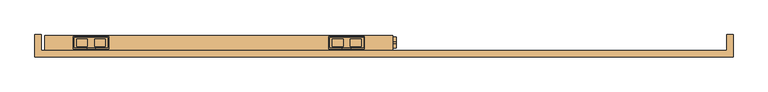
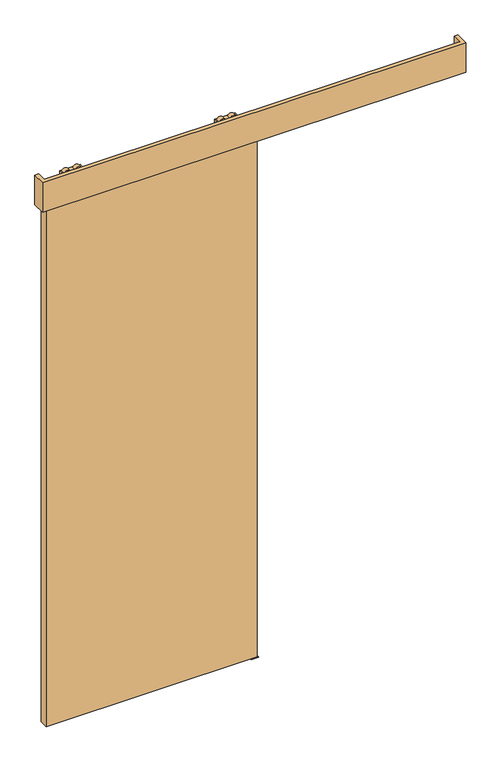
"""IFC4 building model written with IfcOpenShell, lengths in millimetres: door geometry."""

from ifc_helpers import new_model, si_unit, point, frame, frame_2d, origin, place, context, project, spatial, polyline, circle_curve, trimmed, segment, composite_curve, outline, extrude, source, transform, mapped, element, save
from ifc_brep_helpers import plane_surface, cylinder_surface, advanced_brep


def door_d313ffde(model_context):
    return source(origin(), model_context, "Body", "SolidModel", [
        advanced_brep(
        [(-820.0, 14.2574263, 2687.3), (-820.0, -14.7425737, 2687.3), (-725.0, -14.7425737, 2687.3), (-725.0, 14.2574263, 2687.3), (-762.072332, -10.9457536, 2687.3), (-762.072332, 10.4606061, 2687.3), (-731.78306, 10.4606061, 2687.3), (-731.78306, -10.9457536, 2687.3), (-813.21694, -10.9457536, 2687.3), (-813.21694, 10.4606061, 2687.3), (-782.927668, 10.4606061, 2687.3), (-782.927668, -10.9457536, 2687.3), (-820.0, 14.2574263, 2672.3), (-725.0, 14.2574263, 2672.3), (-725.0, -14.7425737, 2672.3), (-820.0, -14.7425737, 2672.3), (-731.78306, -10.9457536, 2672.3), (-731.78306, 10.4606061, 2672.3), (-762.072332, 10.4606061, 2672.3), (-762.072332, -10.9457536, 2672.3), (-782.927668, -10.9457536, 2672.3), (-782.927668, 10.4606061, 2672.3), (-813.21694, 10.4606061, 2672.3), (-813.21694, -10.9457536, 2672.3), (-767.55, -0.5, 2672.3), (-777.45, -0.5, 2672.3), (-767.55, -0.5, 2653.8), (-777.45, -0.5, 2653.8)],
        [
            (0, 1),
            (1, 2),
            (2, 3),
            (3, 0),
            (4, 5),
            (5, 6),
            (6, 7),
            (7, 4),
            (8, 9),
            (9, 10),
            (10, 11),
            (11, 8),
            (12, 13),
            (13, 14),
            (14, 15),
            (15, 12),
            (16, 17),
            (17, 18),
            (18, 19),
            (19, 16),
            (20, 21),
            (21, 22),
            (22, 23),
            (23, 20),
            (24, 25, circle_curve(frame((-772.5, -0.5, 2672.3), z_axis=(0.0, 0.0, 1.0), x_axis=(-1.0, 0.0, 0.0)), 4.95)),
            (25, 24, circle_curve(frame((-772.5, -0.5, 2672.3), z_axis=(0.0, 0.0, 1.0), x_axis=(-1.0, 0.0, 0.0)), 4.95)),
            (3, 13),
            (12, 0),
            (2, 14),
            (1, 15),
            (7, 4, circle_curve(frame((-746.927696, -10.9457536, 2679.8), z_axis=(0.0, -1.0, 0.0), x_axis=(-1.0, 0.0, 0.0)), 16.9)),
            (19, 16, circle_curve(frame((-746.927696, -10.9457536, 2679.8), z_axis=(0.0, -1.0, 0.0), x_axis=(-1.0, 0.0, 0.0)), 16.9)),
            (5, 6, circle_curve(frame((-746.927696, 10.4606061, 2679.8), z_axis=(0.0, 1.0, 0.0), x_axis=(-1.0, 0.0, 0.0)), 16.9)),
            (17, 18, circle_curve(frame((-746.927696, 10.4606061, 2679.8), z_axis=(0.0, 1.0, 0.0), x_axis=(-1.0, 0.0, 0.0)), 16.9)),
            (11, 8, circle_curve(frame((-798.072304, -10.9457536, 2679.8), z_axis=(0.0, -1.0, 0.0), x_axis=(1.0, 0.0, 0.0)), 16.9)),
            (23, 20, circle_curve(frame((-798.072304, -10.9457536, 2679.8), z_axis=(0.0, -1.0, 0.0), x_axis=(1.0, 0.0, 0.0)), 16.9)),
            (9, 10, circle_curve(frame((-798.072304, 10.4606061, 2679.8), z_axis=(0.0, 1.0, 0.0), x_axis=(1.0, 0.0, 0.0)), 16.9)),
            (21, 22, circle_curve(frame((-798.072304, 10.4606061, 2679.8), z_axis=(0.0, 1.0, 0.0), x_axis=(1.0, 0.0, 0.0)), 16.9)),
            (26, 27, circle_curve(frame((-772.5, -0.5, 2653.8), z_axis=(0.0, 0.0, -1.0), x_axis=(-1.0, 0.0, 0.0)), 4.95)),
            (27, 26, circle_curve(frame((-772.5, -0.5, 2653.8), z_axis=(0.0, 0.0, -1.0), x_axis=(-1.0, 0.0, 0.0)), 4.95)),
            (26, 24),
            (25, 27),
        ],
        [
            plane_surface(frame((-725.0, 14.2574263, 2687.3), z_axis=(0.0, 0.0, 1.0), x_axis=(1.0, 0.0, 0.0))),
            plane_surface(frame((-725.0, 14.2574263, 2672.3), z_axis=(0.0, 0.0, -1.0), x_axis=(-1.0, 0.0, 0.0))),
            plane_surface(frame((-820.0, 14.2574263, 2687.3), z_axis=(0.0, 1.0, 0.0), x_axis=(0.0, 0.0, -1.0))),
            plane_surface(frame((-725.0, 14.2574263, 2687.3), z_axis=(1.0, 0.0, 0.0), x_axis=(0.0, 0.0, -1.0))),
            plane_surface(frame((-725.0, -14.7425737, 2687.3), z_axis=(0.0, -1.0, 0.0), x_axis=(0.0, 0.0, -1.0))),
            plane_surface(frame((-820.0, -14.7425737, 2687.3), z_axis=(-1.0, 0.0, 0.0), x_axis=(0.0, 0.0, -1.0))),
            plane_surface(frame((-763.827696, -10.9457536, 2679.8), z_axis=(0.0, -1.0, 0.0), x_axis=(0.0, 0.0, 1.0))),
            plane_surface(frame((-763.827696, 10.4606061, 2679.8), z_axis=(0.0, 1.0, 0.0), x_axis=(0.0, 0.0, -1.0))),
            cylinder_surface(frame((-746.927696, 10.4606061, 2679.8), z_axis=(0.0, -1.0, 0.0), x_axis=(-1.0, 0.0, 0.0)), 16.9),
            plane_surface(frame((-781.172304, -10.9457536, 2679.8), z_axis=(0.0, -1.0, 0.0), x_axis=(0.0, 0.0, -1.0))),
            plane_surface(frame((-781.172304, 10.4606061, 2679.8), z_axis=(0.0, 1.0, 0.0), x_axis=(0.0, 0.0, 1.0))),
            cylinder_surface(frame((-798.072304, 10.4606061, 2679.8), z_axis=(0.0, -1.0, 0.0), x_axis=(1.0, 0.0, 0.0)), 16.9),
            plane_surface(frame((-777.45, -0.5, 2653.8), z_axis=(0.0, 0.0, -1.0), x_axis=(0.0, -1.0, 0.0))),
            cylinder_surface(frame((-772.5, -0.5, 2653.8), z_axis=(0.0, 0.0, 1.0), x_axis=(-1.0, 0.0, 0.0)), 4.95),
        ],
        [
            (0, [[1, 2, 3, 4], [5, 6, 7, 8], [9, 10, 11, 12]]),
            (1, [[13, 14, 15, 16], [17, 18, 19, 20], [21, 22, 23, 24], [25, 26]]),
            (2, [[27, -13, 28, -4]]),
            (3, [[29, -14, -27, -3]]),
            (4, [[30, -15, -29, -2]]),
            (5, [[-28, -16, -30, -1]]),
            (6, [[-8, 31]]),
            (6, [[-20, 32]]),
            (7, [[-6, 33]]),
            (7, [[-18, 34]]),
            (8, [[-19, -34, -17, -32]]),
            (8, [[-7, -33, -5, -31]]),
            (9, [[-12, 35]]),
            (9, [[-24, 36]]),
            (10, [[-10, 37]]),
            (10, [[-22, 38]]),
            (11, [[-23, -38, -21, -36]]),
            (11, [[-11, -37, -9, -35]]),
            (12, [[39, 40]]),
            (13, [[41, -26, 42, -39]]),
            (13, [[-42, -25, -41, -40]]),
        ],
    ),
        extrude(outline(composite_curve([segment(trimmed(circle_curve(frame_2d((-772.5000356, -0.1875)), 12.254021), [point((-760.2460147, -0.1875))], [point((-784.7540566, -0.1875))], False, "CARTESIAN"), True, "CONTINUOUS"), segment(trimmed(circle_curve(frame_2d((-772.5000356, -0.1875)), 12.254021), [point((-784.7540566, -0.1875))], [point((-760.2460147, -0.1875))], False, "CARTESIAN"), True, "CONTINUOUS")], self_intersect=False)), frame((0.0, 0.0, 2645.0), z_axis=(0.0, 0.0, 1.0), x_axis=(1.0, 0.0, 0.0)), (0.0, 0.0, 1.0), 8.8),
        extrude(outline(polyline([(2631.0, -822.5), (2631.0, -722.5), (2634.8, -722.5), (2645.0, -760.25), (2645.0, -784.75), (2634.8, -822.5), (2631.0, -822.5)])), frame((0.0, -17.7425737, 0.0), z_axis=(0.0, 1.0, 0.0), x_axis=(0.0, 0.0, 1.0)), (0.0, 0.0, 1.0), 35.0),
        advanced_brep(
        [(-5.0, 14.2574263, 2687.3), (-100.0, 14.2574263, 2687.3), (-100.0, -14.7425737, 2687.3), (-5.0, -14.7425737, 2687.3), (-62.927668, -10.9457536, 2687.3), (-93.21694, -10.9457536, 2687.3), (-93.21694, 10.4606061, 2687.3), (-62.927668, 10.4606061, 2687.3), (-11.78306, -10.9457536, 2687.3), (-42.072332, -10.9457536, 2687.3), (-42.072332, 10.4606061, 2687.3), (-11.78306, 10.4606061, 2687.3), (-5.0, 14.2574263, 2672.3), (-5.0, -14.7425737, 2672.3), (-100.0, -14.7425737, 2672.3), (-100.0, 14.2574263, 2672.3), (-93.21694, -10.9457536, 2672.3), (-62.927668, -10.9457536, 2672.3), (-62.927668, 10.4606061, 2672.3), (-93.21694, 10.4606061, 2672.3), (-42.072332, -10.9457536, 2672.3), (-11.78306, -10.9457536, 2672.3), (-11.78306, 10.4606061, 2672.3), (-42.072332, 10.4606061, 2672.3), (-57.45, -0.5, 2672.3), (-47.55, -0.5, 2672.3), (-57.45, -0.5, 2653.8), (-47.55, -0.5, 2653.8)],
        [
            (0, 1),
            (1, 2),
            (2, 3),
            (3, 0),
            (4, 5),
            (5, 6),
            (6, 7),
            (7, 4),
            (8, 9),
            (9, 10),
            (10, 11),
            (11, 8),
            (12, 13),
            (13, 14),
            (14, 15),
            (15, 12),
            (16, 17),
            (17, 18),
            (18, 19),
            (19, 16),
            (20, 21),
            (21, 22),
            (22, 23),
            (23, 20),
            (24, 25, circle_curve(frame((-52.5, -0.5, 2672.3), z_axis=(0.0, 0.0, 1.0), x_axis=(1.0, 0.0, 0.0)), 4.95)),
            (25, 24, circle_curve(frame((-52.5, -0.5, 2672.3), z_axis=(0.0, 0.0, 1.0), x_axis=(1.0, 0.0, 0.0)), 4.95)),
            (0, 12),
            (15, 1),
            (14, 2),
            (13, 3),
            (16, 17, circle_curve(frame((-78.072304, -10.9457536, 2679.8), z_axis=(0.0, -1.0, 0.0), x_axis=(1.0, 0.0, 0.0)), 16.9)),
            (4, 5, circle_curve(frame((-78.072304, -10.9457536, 2679.8), z_axis=(0.0, -1.0, 0.0), x_axis=(1.0, 0.0, 0.0)), 16.9)),
            (6, 7, circle_curve(frame((-78.072304, 10.4606061, 2679.8), z_axis=(0.0, 1.0, 0.0), x_axis=(1.0, 0.0, 0.0)), 16.9)),
            (18, 19, circle_curve(frame((-78.072304, 10.4606061, 2679.8), z_axis=(0.0, 1.0, 0.0), x_axis=(1.0, 0.0, 0.0)), 16.9)),
            (8, 9, circle_curve(frame((-26.927696, -10.9457536, 2679.8), z_axis=(0.0, -1.0, 0.0), x_axis=(-1.0, 0.0, 0.0)), 16.9)),
            (20, 21, circle_curve(frame((-26.927696, -10.9457536, 2679.8), z_axis=(0.0, -1.0, 0.0), x_axis=(-1.0, 0.0, 0.0)), 16.9)),
            (22, 23, circle_curve(frame((-26.927696, 10.4606061, 2679.8), z_axis=(0.0, 1.0, 0.0), x_axis=(-1.0, 0.0, 0.0)), 16.9)),
            (10, 11, circle_curve(frame((-26.927696, 10.4606061, 2679.8), z_axis=(0.0, 1.0, 0.0), x_axis=(-1.0, 0.0, 0.0)), 16.9)),
            (26, 27, circle_curve(frame((-52.5, -0.5, 2653.8), z_axis=(0.0, 0.0, -1.0), x_axis=(1.0, 0.0, 0.0)), 4.95)),
            (27, 26, circle_curve(frame((-52.5, -0.5, 2653.8), z_axis=(0.0, 0.0, -1.0), x_axis=(1.0, 0.0, 0.0)), 4.95)),
            (27, 25),
            (24, 26),
        ],
        [
            plane_surface(frame((-100.0, 14.2574263, 2687.3), z_axis=(0.0, 0.0, 1.0), x_axis=(-1.0, 0.0, 0.0))),
            plane_surface(frame((-100.0, 14.2574263, 2672.3), z_axis=(0.0, 0.0, -1.0), x_axis=(1.0, 0.0, 0.0))),
            plane_surface(frame((-5.0, 14.2574263, 2687.3), z_axis=(0.0, 1.0, 0.0), x_axis=(0.0, 0.0, -1.0))),
            plane_surface(frame((-100.0, 14.2574263, 2687.3), z_axis=(-1.0, 0.0, 0.0), x_axis=(0.0, 0.0, -1.0))),
            plane_surface(frame((-100.0, -14.7425737, 2687.3), z_axis=(0.0, -1.0, 0.0), x_axis=(0.0, 0.0, -1.0))),
            plane_surface(frame((-5.0, -14.7425737, 2687.3), z_axis=(1.0, 0.0, 0.0), x_axis=(0.0, 0.0, -1.0))),
            plane_surface(frame((-61.172304, -10.9457536, 2679.8), z_axis=(0.0, -1.0, 0.0), x_axis=(0.0, 0.0, 1.0))),
            plane_surface(frame((-61.172304, 10.4606061, 2679.8), z_axis=(0.0, 1.0, 0.0), x_axis=(0.0, 0.0, -1.0))),
            cylinder_surface(frame((-78.072304, 10.4606061, 2679.8), z_axis=(0.0, -1.0, 0.0), x_axis=(1.0, 0.0, 0.0)), 16.9),
            plane_surface(frame((-43.827696, -10.9457536, 2679.8), z_axis=(0.0, -1.0, 0.0), x_axis=(0.0, 0.0, -1.0))),
            plane_surface(frame((-43.827696, 10.4606061, 2679.8), z_axis=(0.0, 1.0, 0.0), x_axis=(0.0, 0.0, 1.0))),
            cylinder_surface(frame((-26.927696, 10.4606061, 2679.8), z_axis=(0.0, -1.0, 0.0), x_axis=(-1.0, 0.0, 0.0)), 16.9),
            plane_surface(frame((-47.55, -0.5, 2653.8), z_axis=(0.0, 0.0, -1.0), x_axis=(0.0, -1.0, 0.0))),
            cylinder_surface(frame((-52.5, -0.5, 2653.8), z_axis=(0.0, 0.0, 1.0), x_axis=(1.0, 0.0, 0.0)), 4.95),
        ],
        [
            (0, [[1, 2, 3, 4], [5, 6, 7, 8], [9, 10, 11, 12]]),
            (1, [[13, 14, 15, 16], [17, 18, 19, 20], [21, 22, 23, 24], [25, 26]]),
            (2, [[-1, 27, -16, 28]]),
            (3, [[-2, -28, -15, 29]]),
            (4, [[-3, -29, -14, 30]]),
            (5, [[-4, -30, -13, -27]]),
            (6, [[31, -17]]),
            (6, [[32, -5]]),
            (7, [[33, -7]]),
            (7, [[34, -19]]),
            (8, [[-31, -20, -34, -18]]),
            (8, [[-32, -8, -33, -6]]),
            (9, [[35, -9]]),
            (9, [[36, -21]]),
            (10, [[37, -23]]),
            (10, [[38, -11]]),
            (11, [[-36, -24, -37, -22]]),
            (11, [[-35, -12, -38, -10]]),
            (12, [[39, 40]]),
            (13, [[-40, 41, -25, 42]]),
            (13, [[-39, -42, -26, -41]]),
        ],
    ),
        extrude(outline(composite_curve([segment(trimmed(circle_curve(frame_2d((-52.4999644, -0.1875)), 12.254021), [point((-64.7539853, -0.1875))], [point((-40.2459434, -0.1875))], False, "CARTESIAN"), True, "CONTINUOUS"), segment(trimmed(circle_curve(frame_2d((-52.4999644, -0.1875)), 12.254021), [point((-40.2459434, -0.1875))], [point((-64.7539853, -0.1875))], False, "CARTESIAN"), True, "CONTINUOUS")], self_intersect=False)), frame((0.0, 0.0, 2645.0), z_axis=(0.0, 0.0, 1.0), x_axis=(1.0, 0.0, 0.0)), (0.0, 0.0, 1.0), 8.8),
        extrude(outline(polyline([(2631.0, -2.5), (2634.8, -2.5), (2645.0, -40.25), (2645.0, -64.75), (2634.8, -102.5), (2631.0, -102.5), (2631.0, -2.5)])), frame((0.0, -17.7425737, 0.0), z_axis=(0.0, 1.0, 0.0), x_axis=(0.0, 0.0, 1.0)), (0.0, 0.0, 1.0), 35.0),
        extrude(outline(polyline([(-902.5, 19.5), (77.5, 19.5), (77.5, -20.5), (-902.5, -20.5), (-902.5, 19.5)])), frame((0.0, 0.0, 10.0), z_axis=(0.0, 0.0, 1.0), x_axis=(1.0, 0.0, 0.0)), (0.0, 0.0, 1.0), 2621.0),
        extrude(outline(polyline([(-930.5, 22.0), (-912.5, 22.0), (-912.5, -23.0), (1017.5, -23.0), (1017.5, 22.0), (1035.5, 22.0), (1035.5, -41.0), (-930.5, -41.0), (-930.5, 22.0)])), frame((0.0, 0.0, 2555.0), z_axis=(0.0, 0.0, 1.0), x_axis=(1.0, 0.0, 0.0)), (0.0, 0.0, 1.0), 145.0),
        extrude(outline(polyline([(15.3483682, 2.0), (15.3483682, 0.0), (-14.5, 0.0), (-14.5, 2.0), (-2.6516318, 2.0), (-2.6516318, 26.0), (1.6516318, 26.0), (1.6516318, 2.0), (15.3483682, 2.0)])), frame((52.5, 0.0, 0.0), z_axis=(1.0, 0.0, 0.0), x_axis=(0.0, 1.0, 0.0)), (0.0, 0.0, 1.0), 35.0),
    ])


if __name__ == "__main__":
    model = new_model("IFC4")
    model_context = context("Model", 3, world=origin())
    ifc_project = project(units=[si_unit("LENGTHUNIT", "METRE", prefix="MILLI")], contexts=[model_context])
    site = spatial("IfcSite", under=ifc_project)
    building = spatial("IfcBuilding", under=site)
    placement = place(None, origin())
    door_shape = door_d313ffde(model_context)
    element("IfcDoor", 1, at=placement, inside=building, context=model_context, shape_type="MappedRepresentation", body=[
        mapped(door_shape, transform((0.0, 0.0, 0.0), x_axis=(1.0, 0.0, 0.0), y_axis=(0.0, 1.0, 0.0), z_axis=(0.0, 0.0, 1.0))),
    ])
    save(model, "model.ifc")
